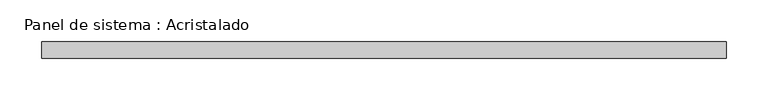
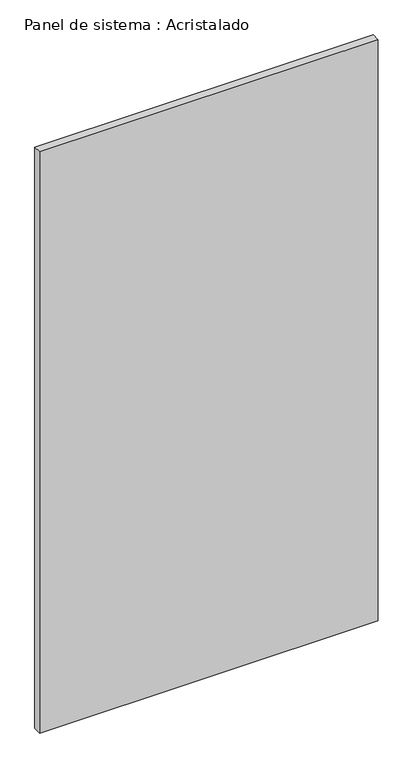
"""IFC4 building model written with IfcOpenShell, lengths in millimetres: plate geometry, Panel de sistema : Acristalado."""

import ifcopenshell
import ifcopenshell.guid

model = None  # the IFC model being written
_history = None  # IfcOwnerHistory: only IFC2X3 demands one
_inside = {}  # id of a spatial element -> (the spatial element, [elements in it])
_under = {}  # id of a project, library or spatial element -> (it, [spatial elements below it])
_declared = {}  # id of a project -> (the project, [libraries it declares])
_typed = {}  # id of a type object -> (the type object, [elements of that type])
_made_of = {}  # id of a material, layer set ... -> (it, [elements and type objects made of it])


def new_model(schema):
    """Start an empty IFC model of exactly this schema.

    Asked for "IFC4X3", IfcOpenShell would pick the latest addendum, in which some entities
    have other attributes; the version numbers below select the first issue.
    IFC2X3 requires an IfcOwnerHistory on every rooted entity: one is made here for all.
    """
    global model, _history
    if schema == "IFC4X3":
        model = ifcopenshell.file(schema_version=(4, 3, 0, 0))
    else:
        model = ifcopenshell.file(schema=schema)
    _inside.clear()
    _under.clear()
    _declared.clear()
    _typed.clear()
    _made_of.clear()
    _history = None
    if model.schema == "IFC2X3":
        org = make("IfcOrganization", Name="unknown")
        user = make(
            "IfcPersonAndOrganization",
            ThePerson=make("IfcPerson", FamilyName="unknown"),
            TheOrganization=org,
        )
        app = make(
            "IfcApplication",
            ApplicationDeveloper=org,
            Version="unknown",
            ApplicationFullName="unknown",
            ApplicationIdentifier="unknown",
        )
        _history = make(
            "IfcOwnerHistory",
            OwningUser=user,
            OwningApplication=app,
            ChangeAction="ADDED",
            CreationDate=0,
        )
    return model


def make(cls, **values):
    """One entity of the class cls with the attributes given. An attribute that is None is left unset."""
    return model.create_entity(
        cls, **{name: value for name, value in values.items() if value is not None}
    )


def rooted(cls, **values):
    """An entity with a GlobalId (a new one), such as an element, a storey or a relation."""
    return make(cls, GlobalId=ifcopenshell.guid.new(), OwnerHistory=_history, **values)


def si_unit(unit_type, name, prefix=None):
    """IfcSIUnit, for example si_unit("LENGTHUNIT", "METRE", prefix="MILLI")."""
    return make("IfcSIUnit", UnitType=unit_type, Prefix=prefix, Name=name)


def assignment(units):
    """IfcUnitAssignment: the units of a project."""
    return None if units is None else make("IfcUnitAssignment", Units=units)


def point(xyz):
    """IfcCartesianPoint."""
    return None if xyz is None else make("IfcCartesianPoint", Coordinates=xyz)


def direction(xyz):
    """IfcDirection."""
    return None if xyz is None else make("IfcDirection", DirectionRatios=xyz)


def frame(location, z_axis=None, x_axis=None):
    """IfcAxis2Placement3D, a coordinate frame: its origin and axes. An axis left out is left unset."""
    return make(
        "IfcAxis2Placement3D",
        Location=point(location),
        Axis=direction(z_axis),
        RefDirection=direction(x_axis),
    )


def origin():
    """The frame at (0, 0, 0) with its axes left unset."""
    return frame((0.0, 0.0, 0.0))


def origin_with_axes():
    """The frame at (0, 0, 0) with the z axis (0, 0, 1) and the x axis (1, 0, 0) written out."""
    return frame((0.0, 0.0, 0.0), z_axis=(0.0, 0.0, 1.0), x_axis=(1.0, 0.0, 0.0))


def place(relative_to, where):
    """IfcLocalPlacement: puts the frame where relative to a parent placement (None: the world)."""
    return make(
        "IfcLocalPlacement", PlacementRelTo=relative_to, RelativePlacement=where
    )


def context(
    kind, dimensions, precision=None, world=None, true_north=None, identifier=None
):
    """IfcGeometricRepresentationContext, for example the 3D "Model" context."""
    return make(
        "IfcGeometricRepresentationContext",
        ContextIdentifier=identifier,
        ContextType=kind,
        CoordinateSpaceDimension=dimensions,
        Precision=precision,
        WorldCoordinateSystem=world,
        TrueNorth=true_north,
    )


def project(units=None, contexts=None):
    """IfcProject with its units and contexts."""
    return rooted(
        "IfcProject",
        Name="project",
        RepresentationContexts=contexts,
        UnitsInContext=assignment(units),
    )


def spatial(cls, under=None, at=None, **own):
    """A site, building, storey or space (cls), placed at a placement, below another one or the project."""
    s = rooted(cls, ObjectPlacement=at, **own)
    if under is not None:
        _under.setdefault(under.id(), (under, []))[1].append(s)
    return s


def polyline(points):
    """IfcPolyline through the points."""
    return make("IfcPolyline", Points=[point(p) for p in points])


def outline(outer, holes=None, kind="AREA"):
    """IfcArbitraryClosedProfileDef: a profile drawn as a closed curve; with holes, ...WithVoids."""
    if holes is None:
        return make("IfcArbitraryClosedProfileDef", ProfileType=kind, OuterCurve=outer)
    return make(
        "IfcArbitraryProfileDefWithVoids",
        ProfileType=kind,
        OuterCurve=outer,
        InnerCurves=holes,
    )


def extrude(swept, where, along, depth):
    """IfcExtrudedAreaSolid: the profile swept, set in the frame where, extruded along a direction by depth."""
    return make(
        "IfcExtrudedAreaSolid",
        SweptArea=swept,
        Position=where,
        ExtrudedDirection=direction(along),
        Depth=depth,
    )


def shape(context_of_items, identifier, shape_type, items):
    """IfcShapeRepresentation: the items that make up one representation, for example the "Body"."""
    return make(
        "IfcShapeRepresentation",
        ContextOfItems=context_of_items,
        RepresentationIdentifier=identifier,
        RepresentationType=shape_type,
        Items=items,
    )


def source(mapping_origin, context_of_items, identifier, shape_type, items):
    """IfcRepresentationMap: a shape defined once, which mapped items show again and again."""
    return make(
        "IfcRepresentationMap",
        MappingOrigin=mapping_origin,
        MappedRepresentation=shape(context_of_items, identifier, shape_type, items),
    )


def transform(
    local_origin,
    x_axis=None,
    y_axis=None,
    z_axis=None,
    scale=None,
    scale2=None,
    scale3=None,
    uniform=True,
):
    """IfcCartesianTransformationOperator3D, or its non-uniform kind. x_axis, y_axis, z_axis: its Axis1, 2, 3."""
    if uniform:
        return make(
            "IfcCartesianTransformationOperator3D",
            Axis1=direction(x_axis),
            Axis2=direction(y_axis),
            LocalOrigin=point(local_origin),
            Scale=scale,
            Axis3=direction(z_axis),
        )
    return make(
        "IfcCartesianTransformationOperator3DnonUniform",
        Axis1=direction(x_axis),
        Axis2=direction(y_axis),
        LocalOrigin=point(local_origin),
        Scale=scale,
        Axis3=direction(z_axis),
        Scale2=scale2,
        Scale3=scale3,
    )


def mapped(mapping_source, mapping_target):
    """IfcMappedItem: shows the shape of a source again, moved by a transform."""
    return make(
        "IfcMappedItem", MappingSource=mapping_source, MappingTarget=mapping_target
    )


def made_of(thing, what):
    """Note that an element or type object is made of a material, layer set ...; save() writes the relation."""
    if what is not None:
        _made_of.setdefault(what.id(), (what, []))[1].append(thing)
    return thing


def element(
    cls,
    number,
    at=None,
    inside=None,
    cuts=None,
    type_object=None,
    material=None,
    context=None,
    identifier="Body",
    shape_type=None,
    held_by="IfcProductDefinitionShape",
    body=None,
    shapes=None,
    **own,
):
    """One element of the class cls, such as IfcWall. Its Tag is "e" and its number.

    at: its placement. inside: the storey or other place that contains it. cuts: it is an
    opening in that element (IfcRelVoidsElement). A single representation is given by context,
    identifier, shape_type and body (its items); several are given by shapes. held_by: the class
    of the entity that holds the representations. save() writes the other relations.
    """
    e = rooted(cls, Tag="e%d" % number, ObjectPlacement=at, **own)
    if body is not None:
        shapes = [shape(context, identifier, shape_type, body)]
    if shapes is not None:
        e.Representation = make(held_by, Representations=shapes)
    if inside is not None:
        _inside.setdefault(inside.id(), (inside, []))[1].append(e)
    if cuts is not None:
        rooted(
            "IfcRelVoidsElement", RelatingBuildingElement=cuts, RelatedOpeningElement=e
        )
    if type_object is not None:
        _typed.setdefault(type_object.id(), (type_object, []))[1].append(e)
    return made_of(e, material)


def aggregate(whole, parts):
    """IfcRelAggregates: a whole, such as a stair, and the parts it consists of."""
    return rooted("IfcRelAggregates", RelatingObject=whole, RelatedObjects=parts)


def save(model, path):
    """Write the relations noted so far, then the file.

    IfcRelAggregates (storeys below a building ...), IfcRelContainedInSpatialStructure (elements
    in a storey), IfcRelDefinesByType, IfcRelAssociatesMaterial and IfcRelDeclares: one each for
    every whole, place, type object, material and project.
    """
    for whole, parts in _under.values():
        aggregate(whole, parts)
    for where, things in _inside.values():
        rooted(
            "IfcRelContainedInSpatialStructure",
            RelatedElements=things,
            RelatingStructure=where,
        )
    for kind, things in _typed.values():
        rooted("IfcRelDefinesByType", RelatedObjects=things, RelatingType=kind)
    for what, things in _made_of.values():
        rooted("IfcRelAssociatesMaterial", RelatedObjects=things, RelatingMaterial=what)
    for by, libraries in _declared.values():
        rooted("IfcRelDeclares", RelatingContext=by, RelatedDefinitions=libraries)
    model.write(path)


def panel_de_sistema_acristalado_5a5d420b(model_context):
    return source(origin(), model_context, "Body", "SweptSolid", [
        extrude(outline(polyline([(412.0, -10.0), (-412.0, -10.0), (-412.0, 10.0), (412.0, 10.0), (412.0, -10.0)])), origin_with_axes(), (0.0, 0.0, 1.0), 1494.4303161),
    ])


if __name__ == "__main__":
    model = new_model("IFC4")
    model_context = context("Model", 3, world=origin())
    ifc_project = project(units=[si_unit("LENGTHUNIT", "METRE", prefix="MILLI")], contexts=[model_context])
    site = spatial("IfcSite", under=ifc_project)
    building = spatial("IfcBuilding", under=site)
    placement = place(None, origin())
    panel_de_sistema_acristalado_shape = panel_de_sistema_acristalado_5a5d420b(model_context)
    element("IfcPlate", 1, ObjectType="Panel de sistema : Acristalado", at=placement, inside=building, context=model_context, shape_type="MappedRepresentation", body=[
        mapped(panel_de_sistema_acristalado_shape, transform((0.0, 0.0, 0.0), x_axis=(1.0, 0.0, 0.0), y_axis=(0.0, 1.0, 0.0), z_axis=(0.0, 0.0, 1.0))),
    ])
    save(model, "model.ifc")
